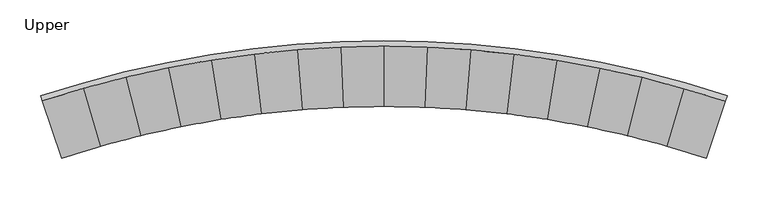
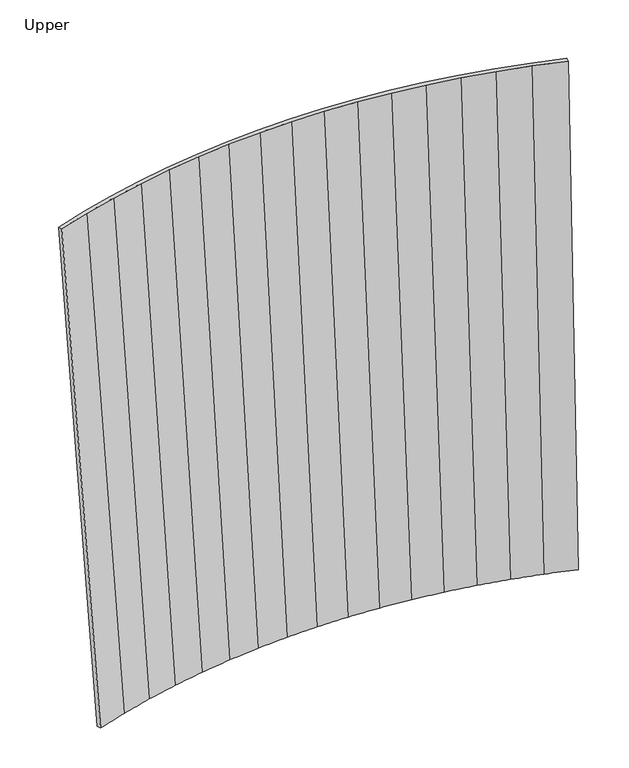
"""IFC4 building model written with IfcOpenShell, lengths in millimetres: furniture geometry, Upper."""

from ifc_helpers import new_model, si_unit, frame, origin, place, context, project, spatial, source, transform, mapped, element, save
from ifc_brep_helpers import plane_surface, spline_surface, advanced_brep


def upper_bc66c760(model_context):
    return source(origin(), model_context, "Body", "AdvancedBrep", [
        advanced_brep(
        [(28.4661267, 120.9828497, 1755.0384), (79.8746394, 134.544422, 1755.0384), (131.7817727, 146.0509689, 1755.0384), (184.1054049, 155.4843139, 1755.0384), (236.762783, 162.8295051, 1755.0384), (289.6706001, 168.0749335, 1755.0384), (342.7451403, 171.2123147, 1755.0384), (395.9024697, 172.2366707, 1755.0384), (449.0584911, 171.1463848, 1755.0384), (502.1291253, 167.943201, 1755.0384), (555.0304021, 162.6321516, 1755.0384), (607.6786057, 155.2216483, 1755.0384), (659.9905289, 145.7234362, 1755.0384), (711.8833643, 134.1525219, 1755.0384), (763.2749949, 120.5272089, 1755.0384), (814.0841755, 104.8690622, 1755.0384), (816.3747334, 112.0333324, 1755.0384), (765.2750181, 127.6682974, 1755.0384), (713.5953964, 141.2641517, 1755.0384), (661.4171133, 152.7995032, 1755.0384), (608.8223948, 162.2562116, 1755.0384), (555.8939758, 169.6193705, 1755.0384), (502.7151724, 174.8774071, 1755.0384), (449.3696277, 178.0220552, 1755.0384), (395.9413482, 179.0483371, 1755.0384), (342.5144131, 177.9546538, 1755.0384), (289.1728834, 174.7427314, 1755.0384), (236.0007292, 169.4176204, 1755.0384), (183.0816483, 161.987696, 1755.0384), (130.4988841, 152.4646763, 1755.0384), (78.3352258, 140.863504, 1755.0384), (26.672761, 127.2024646, 1755.0384), (-24.4072062, 111.5030686, 1755.0384), (-22.3624409, 105.387726, 1755.0384), (49.2663651, 50.2627932, 917.5753463), (1.3231956, 35.4866512, 917.5753463), (-0.935267, 42.1518284, 917.5753463), (47.2888287, 56.9922653, 917.5753463), (96.0649303, 69.9032732, 917.5753463), (145.3158666, 80.8644228, 917.5753463), (194.9637355, 89.8583778, 917.5753463), (244.9299807, 96.870904, 917.5753463), (295.1355826, 101.8909191, 917.5753463), (345.5010767, 104.9104659, 917.5753463), (395.9468348, 105.9247845, 917.5753463), (446.3929925, 104.9322578, 917.5753463), (496.759831, 101.9344666, 917.5753463), (546.9675585, 96.9361344, 917.5753463), (596.9368558, 89.9451912, 917.5753463), (646.5885853, 80.9726829, 917.5753463), (695.8442997, 70.0328074, 917.5753463), (744.6259151, 57.1428693, 917.5753463), (792.8564366, 42.3232775, 917.5753463), (790.5361216, 35.4866602, 917.5753463), (742.5929724, 50.2627977, 917.5753463), (694.0990574, 63.1166053, 917.5753463), (645.1314068, 74.0276535, 917.5753463), (595.7678138, 82.9786106, 917.5753463), (546.0867256, 89.955256, 917.5753463), (496.1670982, 94.946512, 917.5753463), (446.0882146, 97.9444395, 917.5753463), (395.9296483, 98.9442785, 917.5753463), (345.771082, 97.9444395, 917.5753463), (295.6922165, 94.946512, 917.5753463), (245.7725892, 89.955256, 917.5753463), (196.0915192, 82.9786106, 917.5753463), (146.7279443, 74.0276489, 917.5753463), (97.7602937, 63.1165962, 917.5753463)],
        [
            (0, 1),
            (1, 2),
            (2, 3),
            (3, 4),
            (4, 5),
            (5, 6),
            (6, 7),
            (7, 8),
            (8, 9),
            (9, 10),
            (10, 11),
            (11, 12),
            (12, 13),
            (13, 14),
            (14, 15),
            (15, 16),
            (16, 17),
            (17, 18),
            (18, 19),
            (19, 20),
            (20, 21),
            (21, 22),
            (22, 23),
            (23, 24),
            (24, 25),
            (25, 26),
            (26, 27),
            (27, 28),
            (28, 29),
            (29, 30),
            (30, 31),
            (31, 32),
            (32, 33),
            (33, 0),
            (34, 35),
            (35, 36),
            (36, 37),
            (37, 38),
            (38, 39),
            (39, 40),
            (40, 41),
            (41, 42),
            (42, 43),
            (43, 44),
            (44, 45),
            (45, 46),
            (46, 47),
            (47, 48),
            (48, 49),
            (49, 50),
            (50, 51),
            (51, 52),
            (52, 53),
            (53, 54),
            (54, 55),
            (55, 56),
            (56, 57),
            (57, 58),
            (58, 59),
            (59, 60),
            (60, 61),
            (61, 62),
            (62, 63),
            (63, 64),
            (64, 65),
            (65, 66),
            (66, 67),
            (67, 34),
            (67, 1),
            (0, 34),
            (66, 2),
            (65, 3),
            (64, 4),
            (63, 5),
            (62, 6),
            (61, 7),
            (60, 8),
            (59, 9),
            (58, 10),
            (57, 11),
            (56, 12),
            (55, 13),
            (54, 14),
            (53, 15),
            (52, 16),
            (51, 17),
            (50, 18),
            (49, 19),
            (48, 20),
            (47, 21),
            (46, 22),
            (45, 23),
            (44, 24),
            (43, 25),
            (42, 26),
            (41, 27),
            (40, 28),
            (39, 29),
            (38, 30),
            (37, 31),
            (36, 32),
            (35, 33),
        ],
        [
            plane_surface(frame((395.9220677, 150.3748353, 1755.0384), z_axis=(0.0, 0.0, 1.0000000000000002), x_axis=(-0.9558710998733162, -0.29378638570733145, 0.0))),
            plane_surface(frame((395.9408326, 78.5284779, 917.5753463), z_axis=(0.0, 0.0, -1.0000000000000002), x_axis=(-0.9558710998733162, -0.29378638570733145, 0.0))),
            spline_surface(1, 1, [[(49.2663651, 50.2627932, 917.5753463), (28.4661267, 120.9828497, 1755.0384)], [(97.7602937, 63.1165962, 917.5753463), (79.8746394, 134.544422, 1755.0384)]], [2, 2], [2, 2], [0.0, 1.0], [0.0, 1.0]),
            spline_surface(1, 1, [[(97.7602937, 63.1165962, 917.5753463), (79.8746394, 134.544422, 1755.0384)], [(146.7279443, 74.0276489, 917.5753463), (131.7817727, 146.0509689, 1755.0384)]], [2, 2], [2, 2], [0.0, 1.0], [0.0, 1.0]),
            spline_surface(1, 1, [[(146.7279443, 74.0276489, 917.5753463), (131.7817727, 146.0509689, 1755.0384)], [(196.0915192, 82.9786106, 917.5753463), (184.1054049, 155.4843139, 1755.0384)]], [2, 2], [2, 2], [0.0, 1.0], [0.0, 1.0]),
            spline_surface(1, 1, [[(196.0915192, 82.9786106, 917.5753463), (184.1054049, 155.4843139, 1755.0384)], [(245.7725892, 89.955256, 917.5753463), (236.762783, 162.8295051, 1755.0384)]], [2, 2], [2, 2], [0.0, 1.0], [0.0, 1.0]),
            spline_surface(1, 1, [[(245.7725892, 89.955256, 917.5753463), (236.762783, 162.8295051, 1755.0384)], [(295.6922165, 94.946512, 917.5753463), (289.6706001, 168.0749335, 1755.0384)]], [2, 2], [2, 2], [0.0, 1.0], [0.0, 1.0]),
            spline_surface(1, 1, [[(295.6922165, 94.946512, 917.5753463), (289.6706001, 168.0749335, 1755.0384)], [(345.771082, 97.9444395, 917.5753463), (342.7451403, 171.2123147, 1755.0384)]], [2, 2], [2, 2], [0.0, 1.0], [0.0, 1.0]),
            spline_surface(1, 1, [[(345.771082, 97.9444395, 917.5753463), (342.7451403, 171.2123147, 1755.0384)], [(395.9296483, 98.9442785, 917.5753463), (395.9024697, 172.2366707, 1755.0384)]], [2, 2], [2, 2], [0.0, 1.0], [0.0, 1.0]),
            spline_surface(1, 1, [[(395.9296483, 98.9442785, 917.5753463), (395.9024697, 172.2366707, 1755.0384)], [(446.0882146, 97.9444395, 917.5753463), (449.0584911, 171.1463848, 1755.0384)]], [2, 2], [2, 2], [0.0, 1.0], [0.0, 1.0]),
            spline_surface(1, 1, [[(446.0882146, 97.9444395, 917.5753463), (449.0584911, 171.1463848, 1755.0384)], [(496.1670982, 94.946512, 917.5753463), (502.1291253, 167.943201, 1755.0384)]], [2, 2], [2, 2], [0.0, 1.0], [0.0, 1.0]),
            spline_surface(1, 1, [[(496.1670982, 94.946512, 917.5753463), (502.1291253, 167.943201, 1755.0384)], [(546.0867256, 89.955256, 917.5753463), (555.0304021, 162.6321516, 1755.0384)]], [2, 2], [2, 2], [0.0, 1.0], [0.0, 1.0]),
            spline_surface(1, 1, [[(546.0867256, 89.955256, 917.5753463), (555.0304021, 162.6321516, 1755.0384)], [(595.7678138, 82.9786106, 917.5753463), (607.6786057, 155.2216483, 1755.0384)]], [2, 2], [2, 2], [0.0, 1.0], [0.0, 1.0]),
            spline_surface(1, 1, [[(595.7678138, 82.9786106, 917.5753463), (607.6786057, 155.2216483, 1755.0384)], [(645.1314068, 74.0276535, 917.5753463), (659.9905289, 145.7234362, 1755.0384)]], [2, 2], [2, 2], [0.0, 1.0], [0.0, 1.0]),
            spline_surface(1, 1, [[(645.1314068, 74.0276535, 917.5753463), (659.9905289, 145.7234362, 1755.0384)], [(694.0990574, 63.1166053, 917.5753463), (711.8833643, 134.1525219, 1755.0384)]], [2, 2], [2, 2], [0.0, 1.0], [0.0, 1.0]),
            spline_surface(1, 1, [[(694.0990574, 63.1166053, 917.5753463), (711.8833643, 134.1525219, 1755.0384)], [(742.5929724, 50.2627977, 917.5753463), (763.2749949, 120.5272089, 1755.0384)]], [2, 2], [2, 2], [0.0, 1.0], [0.0, 1.0]),
            spline_surface(1, 1, [[(742.5929724, 50.2627977, 917.5753463), (763.2749949, 120.5272089, 1755.0384)], [(790.5361216, 35.4866602, 917.5753463), (814.0841755, 104.8690622, 1755.0384)]], [2, 2], [2, 2], [0.0, 1.0], [0.0, 1.0]),
            spline_surface(1, 1, [[(790.5361216, 35.4866602, 917.5753463), (814.0841755, 104.8690622, 1755.0384)], [(792.8564366, 42.3232775, 917.5753463), (816.3747334, 112.0333324, 1755.0384)]], [2, 2], [2, 2], [0.0, 1.0], [0.0, 1.0]),
            spline_surface(1, 1, [[(792.8564366, 42.3232775, 917.5753463), (816.3747334, 112.0333324, 1755.0384)], [(744.6259151, 57.1428693, 917.5753463), (765.2750181, 127.6682974, 1755.0384)]], [2, 2], [2, 2], [0.0, 1.0], [0.0, 1.0]),
            spline_surface(1, 1, [[(744.6259151, 57.1428693, 917.5753463), (765.2750181, 127.6682974, 1755.0384)], [(695.8442997, 70.0328074, 917.5753463), (713.5953964, 141.2641517, 1755.0384)]], [2, 2], [2, 2], [0.0, 1.0], [0.0, 1.0]),
            spline_surface(1, 1, [[(695.8442997, 70.0328074, 917.5753463), (713.5953964, 141.2641517, 1755.0384)], [(646.5885853, 80.9726829, 917.5753463), (661.4171133, 152.7995032, 1755.0384)]], [2, 2], [2, 2], [0.0, 1.0], [0.0, 1.0]),
            spline_surface(1, 1, [[(646.5885853, 80.9726829, 917.5753463), (661.4171133, 152.7995032, 1755.0384)], [(596.9368558, 89.9451912, 917.5753463), (608.8223948, 162.2562116, 1755.0384)]], [2, 2], [2, 2], [0.0, 1.0], [0.0, 1.0]),
            spline_surface(1, 1, [[(596.9368558, 89.9451912, 917.5753463), (608.8223948, 162.2562116, 1755.0384)], [(546.9675585, 96.9361344, 917.5753463), (555.8939758, 169.6193705, 1755.0384)]], [2, 2], [2, 2], [0.0, 1.0], [0.0, 1.0]),
            spline_surface(1, 1, [[(546.9675585, 96.9361344, 917.5753463), (555.8939758, 169.6193705, 1755.0384)], [(496.759831, 101.9344666, 917.5753463), (502.7151724, 174.8774071, 1755.0384)]], [2, 2], [2, 2], [0.0, 1.0], [0.0, 1.0]),
            spline_surface(1, 1, [[(496.759831, 101.9344666, 917.5753463), (502.7151724, 174.8774071, 1755.0384)], [(446.3929925, 104.9322578, 917.5753463), (449.3696277, 178.0220552, 1755.0384)]], [2, 2], [2, 2], [0.0, 1.0], [0.0, 1.0]),
            spline_surface(1, 1, [[(446.3929925, 104.9322578, 917.5753463), (449.3696277, 178.0220552, 1755.0384)], [(395.9468348, 105.9247845, 917.5753463), (395.9413482, 179.0483371, 1755.0384)]], [2, 2], [2, 2], [0.0, 1.0], [0.0, 1.0]),
            spline_surface(1, 1, [[(395.9468348, 105.9247845, 917.5753463), (395.9413482, 179.0483371, 1755.0384)], [(345.5010767, 104.9104659, 917.5753463), (342.5144131, 177.9546538, 1755.0384)]], [2, 2], [2, 2], [0.0, 1.0], [0.0, 1.0]),
            spline_surface(1, 1, [[(345.5010767, 104.9104659, 917.5753463), (342.5144131, 177.9546538, 1755.0384)], [(295.1355826, 101.8909191, 917.5753463), (289.1728834, 174.7427314, 1755.0384)]], [2, 2], [2, 2], [0.0, 1.0], [0.0, 1.0]),
            spline_surface(1, 1, [[(295.1355826, 101.8909191, 917.5753463), (289.1728834, 174.7427314, 1755.0384)], [(244.9299807, 96.870904, 917.5753463), (236.0007292, 169.4176204, 1755.0384)]], [2, 2], [2, 2], [0.0, 1.0], [0.0, 1.0]),
            spline_surface(1, 1, [[(244.9299807, 96.870904, 917.5753463), (236.0007292, 169.4176204, 1755.0384)], [(194.9637355, 89.8583778, 917.5753463), (183.0816483, 161.987696, 1755.0384)]], [2, 2], [2, 2], [0.0, 1.0], [0.0, 1.0]),
            spline_surface(1, 1, [[(194.9637355, 89.8583778, 917.5753463), (183.0816483, 161.987696, 1755.0384)], [(145.3158666, 80.8644228, 917.5753463), (130.4988841, 152.4646763, 1755.0384)]], [2, 2], [2, 2], [0.0, 1.0], [0.0, 1.0]),
            spline_surface(1, 1, [[(145.3158666, 80.8644228, 917.5753463), (130.4988841, 152.4646763, 1755.0384)], [(96.0649303, 69.9032732, 917.5753463), (78.3352258, 140.863504, 1755.0384)]], [2, 2], [2, 2], [0.0, 1.0], [0.0, 1.0]),
            spline_surface(1, 1, [[(96.0649303, 69.9032732, 917.5753463), (78.3352258, 140.863504, 1755.0384)], [(47.2888287, 56.9922653, 917.5753463), (26.672761, 127.2024646, 1755.0384)]], [2, 2], [2, 2], [0.0, 1.0], [0.0, 1.0]),
            spline_surface(1, 1, [[(47.2888287, 56.9922653, 917.5753463), (26.672761, 127.2024646, 1755.0384)], [(-0.935267, 42.1518284, 917.5753463), (-24.4072062, 111.5030686, 1755.0384)]], [2, 2], [2, 2], [0.0, 1.0], [0.0, 1.0]),
            spline_surface(1, 1, [[(-0.935267, 42.1518284, 917.5753463), (-24.4072062, 111.5030686, 1755.0384)], [(1.3231956, 35.4866512, 917.5753463), (-22.3624409, 105.387726, 1755.0384)]], [2, 2], [2, 2], [0.0, 1.0], [0.0, 1.0]),
            spline_surface(1, 1, [[(1.3231956, 35.4866512, 917.5753463), (-22.3624409, 105.387726, 1755.0384)], [(49.2663651, 50.2627932, 917.5753463), (28.4661267, 120.9828497, 1755.0384)]], [2, 2], [2, 2], [0.0, 1.0], [0.0, 1.0]),
        ],
        [
            (0, [[1, 2, 3, 4, 5, 6, 7, 8, 9, 10, 11, 12, 13, 14, 15, 16, 17, 18, 19, 20, 21, 22, 23, 24, 25, 26, 27, 28, 29, 30, 31, 32, 33, 34]]),
            (1, [[35, 36, 37, 38, 39, 40, 41, 42, 43, 44, 45, 46, 47, 48, 49, 50, 51, 52, 53, 54, 55, 56, 57, 58, 59, 60, 61, 62, 63, 64, 65, 66, 67, 68]]),
            (2, [[-68, 69, -1, 70]]),
            (3, [[-67, 71, -2, -69]]),
            (4, [[-66, 72, -3, -71]]),
            (5, [[-65, 73, -4, -72]]),
            (6, [[-64, 74, -5, -73]]),
            (7, [[-63, 75, -6, -74]]),
            (8, [[-62, 76, -7, -75]]),
            (9, [[-61, 77, -8, -76]]),
            (10, [[-60, 78, -9, -77]]),
            (11, [[-59, 79, -10, -78]]),
            (12, [[-58, 80, -11, -79]]),
            (13, [[-57, 81, -12, -80]]),
            (14, [[-56, 82, -13, -81]]),
            (15, [[-55, 83, -14, -82]]),
            (16, [[-54, 84, -15, -83]]),
            (17, [[-53, 85, -16, -84]]),
            (18, [[-52, 86, -17, -85]]),
            (19, [[-51, 87, -18, -86]]),
            (20, [[-50, 88, -19, -87]]),
            (21, [[-49, 89, -20, -88]]),
            (22, [[-48, 90, -21, -89]]),
            (23, [[-47, 91, -22, -90]]),
            (24, [[-46, 92, -23, -91]]),
            (25, [[-45, 93, -24, -92]]),
            (26, [[-44, 94, -25, -93]]),
            (27, [[-43, 95, -26, -94]]),
            (28, [[-42, 96, -27, -95]]),
            (29, [[-41, 97, -28, -96]]),
            (30, [[-40, 98, -29, -97]]),
            (31, [[-39, 99, -30, -98]]),
            (32, [[-38, 100, -31, -99]]),
            (33, [[-37, 101, -32, -100]]),
            (34, [[-36, 102, -33, -101]]),
            (35, [[-35, -70, -34, -102]]),
        ],
    ),
    ])


if __name__ == "__main__":
    model = new_model("IFC4")
    model_context = context("Model", 3, world=origin())
    ifc_project = project(units=[si_unit("LENGTHUNIT", "METRE", prefix="MILLI")], contexts=[model_context])
    site = spatial("IfcSite", under=ifc_project)
    building = spatial("IfcBuilding", under=site)
    placement = place(None, origin())
    upper_shape = upper_bc66c760(model_context)
    element("IfcFurniture", 1, ObjectType="Upper", at=placement, inside=building, context=model_context, shape_type="MappedRepresentation", body=[
        mapped(upper_shape, transform((0.0, 0.0, 0.0), x_axis=(1.0, 0.0, 0.0), y_axis=(0.0, 1.0, 0.0), z_axis=(0.0, 0.0, 1.0))),
    ])
    save(model, "model.ifc")
